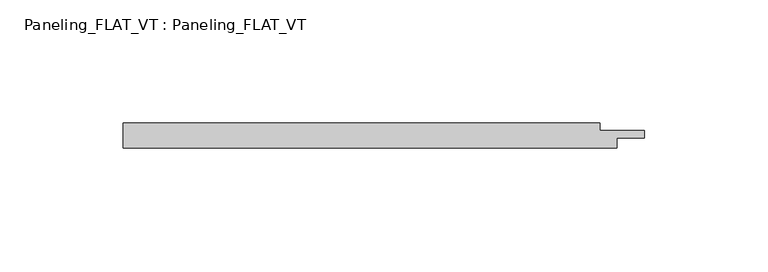
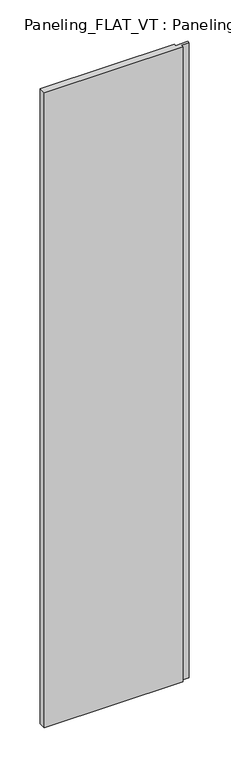
"""IFC4 building model written with IfcOpenShell, lengths in millimetres: plate geometry, Paneling_FLAT_VT : Paneling_FLAT_VT."""

from ifc_helpers import new_model, si_unit, origin, origin_with_axes, place, context, project, spatial, polyline, outline, extrude, source, transform, mapped, element, save


def paneling_flat_vt_paneling_flat_vt_9b23e1b2(model_context):
    return source(origin(), model_context, "Body", "SweptSolid", [
        extrude(outline(polyline([(-100.0, -5.0), (-100.0, 5.0), (93.0, 5.0), (93.0, 2.0), (111.0, 2.0), (111.0, -1.0), (100.0, -1.0), (100.0, -5.0), (-100.0, -5.0)])), origin_with_axes(), (0.0, 0.0, 1.0), 964.5),
    ])


if __name__ == "__main__":
    model = new_model("IFC4")
    model_context = context("Model", 3, world=origin())
    ifc_project = project(units=[si_unit("LENGTHUNIT", "METRE", prefix="MILLI")], contexts=[model_context])
    site = spatial("IfcSite", under=ifc_project)
    building = spatial("IfcBuilding", under=site)
    placement = place(None, origin())
    paneling_flat_vt_paneling_flat_vt_shape = paneling_flat_vt_paneling_flat_vt_9b23e1b2(model_context)
    element("IfcPlate", 1, ObjectType="Paneling_FLAT_VT : Paneling_FLAT_VT", at=placement, inside=building, context=model_context, shape_type="MappedRepresentation", body=[
        mapped(paneling_flat_vt_paneling_flat_vt_shape, transform((0.0, 0.0, 0.0), x_axis=(1.0, 0.0, 0.0), y_axis=(0.0, 1.0, 0.0), z_axis=(0.0, 0.0, 1.0))),
    ])
    save(model, "model.ifc")
